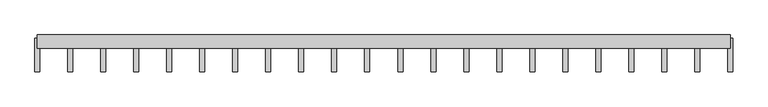
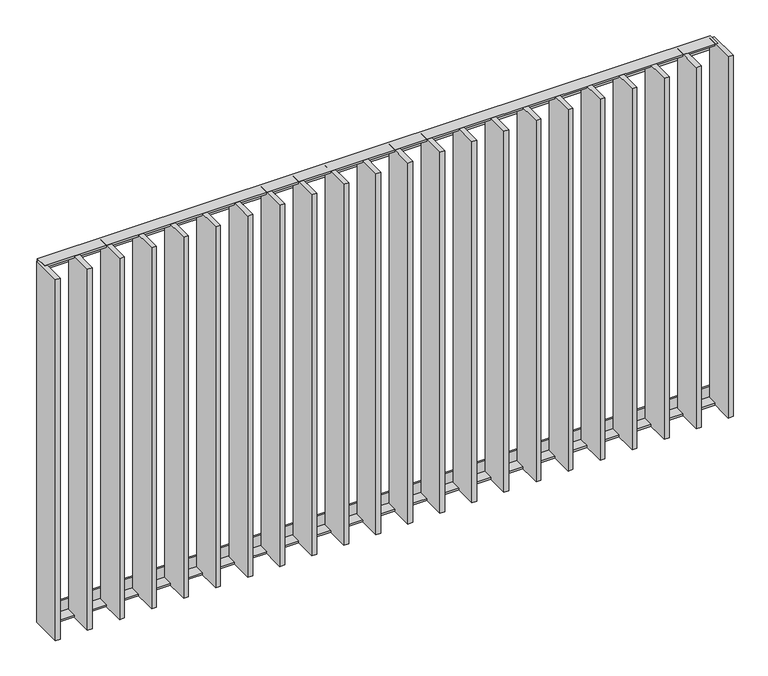
"""IFC4 building model written with IfcOpenShell, lengths in millimetres: railing geometry."""

from ifc_helpers import new_model, si_unit, frame, origin, place, context, project, spatial, polyline, outline, extrude, source, transform, mapped, element, save


def railing_deb53307(model_context):
    return source(origin(), model_context, "Body", "SweptSolid", [
        extrude(outline(polyline([(2798.7883888, 7994.0), (2764.7883888, 7994.0), (2764.7883888, 8000.0), (2804.7883888, 8000.0), (2804.7883888, 7960.0), (2798.7883888, 7960.0), (2798.7883888, 7994.0)])), frame((4609.5112064, 0.0, 0.0), z_axis=(1.0, 0.0, 0.0), x_axis=(0.0, 1.0, 0.0)), (0.0, 0.0, 1.0), 2080.0),
        extrude(outline(polyline([(2798.7883888, 6826.0), (2798.7883888, 6860.0), (2804.7883888, 6860.0), (2804.7883888, 6820.0), (2764.7883888, 6820.0), (2764.7883888, 6826.0), (2798.7883888, 6826.0)])), frame((4609.5112064, 0.0, 0.0), z_axis=(1.0, 0.0, 0.0), x_axis=(0.0, 1.0, 0.0)), (0.0, 0.0, 1.0), 2080.0),
        extrude(outline(polyline([(6582.9635874, 2794.7883888), (6597.9635874, 2794.7883888), (6597.9635874, 2694.7883888), (6582.9635874, 2694.7883888), (6582.9635874, 2794.7883888)])), frame((0.0, 0.0, 6819.9), z_axis=(0.0, 0.0, 1.0), x_axis=(1.0, 0.0, 0.0)), (0.0, 0.0, 1.0), 1180.2),
        extrude(outline(polyline([(6483.9159683, 2794.7883888), (6498.9159683, 2794.7883888), (6498.9159683, 2694.7883888), (6483.9159683, 2694.7883888), (6483.9159683, 2794.7883888)])), frame((0.0, 0.0, 6819.9), z_axis=(0.0, 0.0, 1.0), x_axis=(1.0, 0.0, 0.0)), (0.0, 0.0, 1.0), 1180.2),
        extrude(outline(polyline([(6384.8683493, 2794.7883888), (6399.8683493, 2794.7883888), (6399.8683493, 2694.7883888), (6384.8683493, 2694.7883888), (6384.8683493, 2794.7883888)])), frame((0.0, 0.0, 6819.9), z_axis=(0.0, 0.0, 1.0), x_axis=(1.0, 0.0, 0.0)), (0.0, 0.0, 1.0), 1180.2),
        extrude(outline(polyline([(6285.8207302, 2794.7883888), (6300.8207302, 2794.7883888), (6300.8207302, 2694.7883888), (6285.8207302, 2694.7883888), (6285.8207302, 2794.7883888)])), frame((0.0, 0.0, 6819.9), z_axis=(0.0, 0.0, 1.0), x_axis=(1.0, 0.0, 0.0)), (0.0, 0.0, 1.0), 1180.2),
        extrude(outline(polyline([(6186.7731112, 2794.7883888), (6201.7731112, 2794.7883888), (6201.7731112, 2694.7883888), (6186.7731112, 2694.7883888), (6186.7731112, 2794.7883888)])), frame((0.0, 0.0, 6819.9), z_axis=(0.0, 0.0, 1.0), x_axis=(1.0, 0.0, 0.0)), (0.0, 0.0, 1.0), 1180.2),
        extrude(outline(polyline([(6087.7254921, 2794.7883888), (6102.7254921, 2794.7883888), (6102.7254921, 2694.7883888), (6087.7254921, 2694.7883888), (6087.7254921, 2794.7883888)])), frame((0.0, 0.0, 6819.9), z_axis=(0.0, 0.0, 1.0), x_axis=(1.0, 0.0, 0.0)), (0.0, 0.0, 1.0), 1180.2),
        extrude(outline(polyline([(5988.6778731, 2794.7883888), (6003.6778731, 2794.7883888), (6003.6778731, 2694.7883888), (5988.6778731, 2694.7883888), (5988.6778731, 2794.7883888)])), frame((0.0, 0.0, 6819.9), z_axis=(0.0, 0.0, 1.0), x_axis=(1.0, 0.0, 0.0)), (0.0, 0.0, 1.0), 1180.2),
        extrude(outline(polyline([(5889.630254, 2794.7883888), (5904.630254, 2794.7883888), (5904.630254, 2694.7883888), (5889.630254, 2694.7883888), (5889.630254, 2794.7883888)])), frame((0.0, 0.0, 6819.9), z_axis=(0.0, 0.0, 1.0), x_axis=(1.0, 0.0, 0.0)), (0.0, 0.0, 1.0), 1180.2),
        extrude(outline(polyline([(5790.582635, 2794.7883888), (5805.582635, 2794.7883888), (5805.582635, 2694.7883888), (5790.582635, 2694.7883888), (5790.582635, 2794.7883888)])), frame((0.0, 0.0, 6819.9), z_axis=(0.0, 0.0, 1.0), x_axis=(1.0, 0.0, 0.0)), (0.0, 0.0, 1.0), 1180.2),
        extrude(outline(polyline([(5691.5350159, 2794.7883888), (5706.5350159, 2794.7883888), (5706.5350159, 2694.7883888), (5691.5350159, 2694.7883888), (5691.5350159, 2794.7883888)])), frame((0.0, 0.0, 6819.9), z_axis=(0.0, 0.0, 1.0), x_axis=(1.0, 0.0, 0.0)), (0.0, 0.0, 1.0), 1180.2),
        extrude(outline(polyline([(5592.4873969, 2794.7883888), (5607.4873969, 2794.7883888), (5607.4873969, 2694.7883888), (5592.4873969, 2694.7883888), (5592.4873969, 2794.7883888)])), frame((0.0, 0.0, 6819.9), z_axis=(0.0, 0.0, 1.0), x_axis=(1.0, 0.0, 0.0)), (0.0, 0.0, 1.0), 1180.2),
        extrude(outline(polyline([(5493.4397778, 2794.7883888), (5508.4397778, 2794.7883888), (5508.4397778, 2694.7883888), (5493.4397778, 2694.7883888), (5493.4397778, 2794.7883888)])), frame((0.0, 0.0, 6819.9), z_axis=(0.0, 0.0, 1.0), x_axis=(1.0, 0.0, 0.0)), (0.0, 0.0, 1.0), 1180.2),
        extrude(outline(polyline([(5394.3921588, 2794.7883888), (5409.3921588, 2794.7883888), (5409.3921588, 2694.7883888), (5394.3921588, 2694.7883888), (5394.3921588, 2794.7883888)])), frame((0.0, 0.0, 6819.9), z_axis=(0.0, 0.0, 1.0), x_axis=(1.0, 0.0, 0.0)), (0.0, 0.0, 1.0), 1180.2),
        extrude(outline(polyline([(5295.3445397, 2794.7883888), (5310.3445397, 2794.7883888), (5310.3445397, 2694.7883888), (5295.3445397, 2694.7883888), (5295.3445397, 2794.7883888)])), frame((0.0, 0.0, 6819.9), z_axis=(0.0, 0.0, 1.0), x_axis=(1.0, 0.0, 0.0)), (0.0, 0.0, 1.0), 1180.2),
        extrude(outline(polyline([(5196.2969207, 2794.7883888), (5211.2969207, 2794.7883888), (5211.2969207, 2694.7883888), (5196.2969207, 2694.7883888), (5196.2969207, 2794.7883888)])), frame((0.0, 0.0, 6819.9), z_axis=(0.0, 0.0, 1.0), x_axis=(1.0, 0.0, 0.0)), (0.0, 0.0, 1.0), 1180.2),
        extrude(outline(polyline([(5097.2493017, 2794.7883888), (5112.2493017, 2794.7883888), (5112.2493017, 2694.7883888), (5097.2493017, 2694.7883888), (5097.2493017, 2794.7883888)])), frame((0.0, 0.0, 6819.9), z_axis=(0.0, 0.0, 1.0), x_axis=(1.0, 0.0, 0.0)), (0.0, 0.0, 1.0), 1180.2),
        extrude(outline(polyline([(4998.2016826, 2794.7883888), (5013.2016826, 2794.7883888), (5013.2016826, 2694.7883888), (4998.2016826, 2694.7883888), (4998.2016826, 2794.7883888)])), frame((0.0, 0.0, 6819.9), z_axis=(0.0, 0.0, 1.0), x_axis=(1.0, 0.0, 0.0)), (0.0, 0.0, 1.0), 1180.2),
        extrude(outline(polyline([(4899.1540636, 2794.7883888), (4914.1540636, 2794.7883888), (4914.1540636, 2694.7883888), (4899.1540636, 2694.7883888), (4899.1540636, 2794.7883888)])), frame((0.0, 0.0, 6819.9), z_axis=(0.0, 0.0, 1.0), x_axis=(1.0, 0.0, 0.0)), (0.0, 0.0, 1.0), 1180.2),
        extrude(outline(polyline([(4800.1064445, 2794.7883888), (4815.1064445, 2794.7883888), (4815.1064445, 2694.7883888), (4800.1064445, 2694.7883888), (4800.1064445, 2794.7883888)])), frame((0.0, 0.0, 6819.9), z_axis=(0.0, 0.0, 1.0), x_axis=(1.0, 0.0, 0.0)), (0.0, 0.0, 1.0), 1180.2),
        extrude(outline(polyline([(4701.0588255, 2794.7883888), (4716.0588255, 2794.7883888), (4716.0588255, 2694.7883888), (4701.0588255, 2694.7883888), (4701.0588255, 2794.7883888)])), frame((0.0, 0.0, 6819.9), z_axis=(0.0, 0.0, 1.0), x_axis=(1.0, 0.0, 0.0)), (0.0, 0.0, 1.0), 1180.2),
        extrude(outline(polyline([(6682.0112064, 2794.7883888), (6697.0112064, 2794.7883888), (6697.0112064, 2694.7883888), (6682.0112064, 2694.7883888), (6682.0112064, 2794.7883888)])), frame((0.0, 0.0, 6819.9), z_axis=(0.0, 0.0, 1.0), x_axis=(1.0, 0.0, 0.0)), (0.0, 0.0, 1.0), 1180.2),
        extrude(outline(polyline([(4602.0112064, 2794.7883888), (4617.0112064, 2794.7883888), (4617.0112064, 2694.7883888), (4602.0112064, 2694.7883888), (4602.0112064, 2794.7883888)])), frame((0.0, 0.0, 6819.9), z_axis=(0.0, 0.0, 1.0), x_axis=(1.0, 0.0, 0.0)), (0.0, 0.0, 1.0), 1180.2),
    ])


if __name__ == "__main__":
    model = new_model("IFC4")
    model_context = context("Model", 3, world=origin())
    ifc_project = project(units=[si_unit("LENGTHUNIT", "METRE", prefix="MILLI")], contexts=[model_context])
    site = spatial("IfcSite", under=ifc_project)
    building = spatial("IfcBuilding", under=site)
    placement = place(None, origin())
    railing_shape = railing_deb53307(model_context)
    element("IfcRailing", 1, at=placement, inside=building, context=model_context, shape_type="MappedRepresentation", body=[
        mapped(railing_shape, transform((0.0, 0.0, 0.0), x_axis=(1.0, 0.0, 0.0), y_axis=(0.0, 1.0, 0.0), z_axis=(0.0, 0.0, 1.0))),
    ])
    save(model, "model.ifc")
